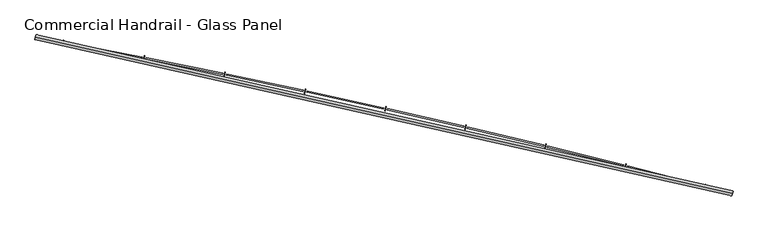
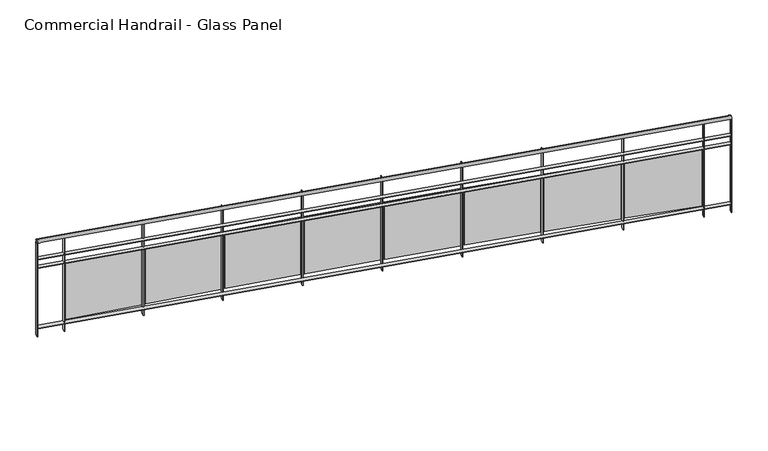
"""IFC4 building model written with IfcOpenShell, lengths in millimetres: railing geometry, Commercial Handrail - Glass Panel."""

from ifc_helpers import new_model, si_unit, point, frame, origin, place, context, project, spatial, polyline, circle_curve, ellipse_curve, trimmed, outline, extrude, source, transform, mapped, element, save
from ifc_brep_helpers import plane_surface, cylinder_surface, revolved_surface, advanced_brep


def commercial_handrail_glass_panel_3e15cc31(model_context):
    return source(origin(), model_context, "Body", "SolidModel", [
        advanced_brep(
        [(147529.5593555, -11171.1779597, 26482.5), (140754.7489821, -9648.612099, 26482.5), (140754.7489821, -9648.612099, 26517.5), (147529.5593555, -11171.1779597, 26517.5)],
        [
            (0, 1, circle_curve(frame((123990.1653691, -100078.2018552, 26482.5), z_axis=(0.0, 0.0, 1.0), x_axis=(0.18228230158229036, 0.9832462369772197, 0.0)), 91970.4407253)),
            (1, 2, ellipse_curve(frame((140754.7489821, -9648.612099, 26500.0), z_axis=(0.9832462369772187, -0.18228230158229675, 0.0), x_axis=(-0.18228230158229672, -0.9832462369772185, 0.0)), 25.0, 17.5)),
            (2, 3, circle_curve(frame((123990.1653691, -100078.2018552, 26517.5), z_axis=(0.0, 0.0, -1.0), x_axis=(0.18228230158229036, 0.9832462369772197, 0.0)), 91970.4407253)),
            (3, 0, ellipse_curve(frame((147529.5593555, -11171.1779597, 26500.0), z_axis=(-0.9666912890096803, 0.2559452124045356, 0.0), x_axis=(-0.2559452124045356, -0.9666912890096803, 0.0)), 25.0, 17.5)),
            (2, 1, ellipse_curve(frame((140754.7489821, -9648.612099, 26500.0), z_axis=(0.9832462369772187, -0.18228230158229675, 0.0), x_axis=(-0.18228230158229672, -0.9832462369772185, 0.0)), 25.0, 17.5)),
            (0, 3, ellipse_curve(frame((147529.5593555, -11171.1779597, 26500.0), z_axis=(-0.9666912890096803, 0.2559452124045356, 0.0), x_axis=(-0.2559452124045356, -0.9666912890096803, 0.0)), 25.0, 17.5)),
        ],
        [
            revolved_surface(trimmed(ellipse_curve(frame((140754.7489821, -9648.612099, 26500.0), z_axis=(-0.9832462369772197, 0.18228230158229036, 0.0), x_axis=(0.0, 0.0, -1.0)), 17.5, 25.0), [point((140754.7489821, -9648.612099, 26517.5))], [point((140754.7489821, -9648.612099, 26482.5))], True, "CARTESIAN"), (123990.1653691, -100078.2018552, 26500.0), (0.0, 0.0, -1.0)),
            revolved_surface(trimmed(ellipse_curve(frame((140754.7489821, -9648.612099, 26500.0), z_axis=(-0.9832462369772197, 0.18228230158229036, 0.0), x_axis=(0.0, 0.0, -1.0)), 17.5, 25.0), [point((140754.7489821, -9648.612099, 26482.5))], [point((140754.7489821, -9648.612099, 26517.5))], True, "CARTESIAN"), (123990.1653691, -100078.2018552, 26500.0), (0.0, 0.0, -1.0)),
            plane_surface(frame((140754.7489821, -9648.612099, 26500.0), z_axis=(-0.9832462369772198, 0.1822823015822904, 0.0), x_axis=(0.1822823015822904, 0.9832462369772198, 0.0))),
            plane_surface(frame((147529.5593555, -11171.1779597, 26500.0), z_axis=(0.9666912890096803, -0.25594521240453566, 0.0), x_axis=(0.25594521240453566, 0.9666912890096803, 0.0))),
        ],
        [
            (0, [[1, 2, 3, 4]]),
            (1, [[-3, 5, -1, 6]]),
            (2, [[-2, -5]]),
            (3, [[-6, -4]]),
        ],
    ),
        advanced_brep(
        [(147535.3181228, -11149.4274057, 26300.0), (140758.8503338, -9626.4890586, 26300.0), (140750.6476303, -9670.7351393, 26300.0), (147523.8005882, -11192.9285137, 26300.0), (147535.3181228, -11149.4274057, 26294.0), (140758.8503338, -9626.4890586, 26294.0), (147523.8005882, -11192.9285137, 26294.0), (140750.6476303, -9670.7351393, 26294.0)],
        [
            (0, 1, circle_curve(frame((123990.1653691, -100078.2018552, 26300.0), z_axis=(0.0, 0.0, 1.0), x_axis=(0.18228230158229036, 0.9832462369772197, 0.0)), 91992.9407253)),
            (1, 2),
            (2, 3, circle_curve(frame((123990.1653691, -100078.2018552, 26300.0), z_axis=(0.0, 0.0, -1.0), x_axis=(0.18228230158229036, 0.9832462369772197, 0.0)), 91947.9407253)),
            (3, 0),
            (4, 5, circle_curve(frame((123990.1653691, -100078.2018552, 26294.0), z_axis=(0.0, 0.0, 1.0), x_axis=(0.18228230158229036, 0.9832462369772197, 0.0)), 91992.9407253)),
            (5, 1),
            (0, 4),
            (6, 7, circle_curve(frame((123990.1653691, -100078.2018552, 26294.0), z_axis=(0.0, 0.0, 1.0), x_axis=(0.18228230158229036, 0.9832462369772197, 0.0)), 91947.9407253)),
            (7, 5),
            (4, 6),
            (2, 7),
            (6, 3),
        ],
        [
            plane_surface(frame((123990.1653691, -100078.2018552, 26300.0), z_axis=(0.0, 0.0, 1.0), x_axis=(0.18228230158229036, 0.9832462369772197, 0.0))),
            cylinder_surface(frame((123990.1653691, -100078.2018552, 26300.0), z_axis=(0.0, 0.0, -1.0), x_axis=(0.18228230158229036, 0.9832462369772197, 0.0)), 91992.9407253),
            plane_surface(frame((123990.1653691, -100078.2018552, 26294.0), z_axis=(0.0, 0.0, -1.0), x_axis=(0.18228230158229036, 0.9832462369772197, 0.0))),
            revolved_surface(polyline([(140750.6476302597, -9670.735139244323, 26294.0), (140750.6476302597, -9670.735139244323, 26300.0)]), (123990.1653691, -100078.2018552, 26300.0), (0.0, 0.0, -1.0)),
            plane_surface(frame((140754.7489821, -9648.612099, 26300.0), z_axis=(-0.9832462369772198, 0.1822823015822904, 0.0), x_axis=(0.1822823015822904, 0.9832462369772198, 0.0))),
            plane_surface(frame((147529.5593555, -11171.1779597, 26300.0), z_axis=(0.9666912890096803, -0.25594521240453566, 0.0), x_axis=(0.25594521240453566, 0.9666912890096803, 0.0))),
        ],
        [
            (0, [[1, 2, 3, 4]]),
            (1, [[5, 6, -1, 7]]),
            (2, [[8, 9, -5, 10]]),
            (3, [[-3, 11, -8, 12]]),
            (4, [[-2, -6, -9, -11]]),
            (5, [[-12, -10, -7, -4]]),
        ],
    ),
        advanced_brep(
        [(147535.3181228, -11149.4274057, 26200.0), (140758.8503338, -9626.4890586, 26200.0), (140750.6476303, -9670.7351393, 26200.0), (147523.8005882, -11192.9285137, 26200.0), (147535.3181228, -11149.4274057, 26194.0), (140758.8503338, -9626.4890586, 26194.0), (147523.8005882, -11192.9285137, 26194.0), (140750.6476303, -9670.7351393, 26194.0)],
        [
            (0, 1, circle_curve(frame((123990.1653691, -100078.2018552, 26200.0), z_axis=(0.0, 0.0, 1.0), x_axis=(0.18228230158229036, 0.9832462369772197, 0.0)), 91992.9407253)),
            (1, 2),
            (2, 3, circle_curve(frame((123990.1653691, -100078.2018552, 26200.0), z_axis=(0.0, 0.0, -1.0), x_axis=(0.18228230158229036, 0.9832462369772197, 0.0)), 91947.9407253)),
            (3, 0),
            (4, 5, circle_curve(frame((123990.1653691, -100078.2018552, 26194.0), z_axis=(0.0, 0.0, 1.0), x_axis=(0.18228230158229036, 0.9832462369772197, 0.0)), 91992.9407253)),
            (5, 1),
            (0, 4),
            (6, 7, circle_curve(frame((123990.1653691, -100078.2018552, 26194.0), z_axis=(0.0, 0.0, 1.0), x_axis=(0.18228230158229036, 0.9832462369772197, 0.0)), 91947.9407253)),
            (7, 5),
            (4, 6),
            (2, 7),
            (6, 3),
        ],
        [
            plane_surface(frame((123990.1653691, -100078.2018552, 26200.0), z_axis=(0.0, 0.0, 1.0), x_axis=(0.18228230158229036, 0.9832462369772197, 0.0))),
            cylinder_surface(frame((123990.1653691, -100078.2018552, 26200.0), z_axis=(0.0, 0.0, -1.0), x_axis=(0.18228230158229036, 0.9832462369772197, 0.0)), 91992.9407253),
            plane_surface(frame((123990.1653691, -100078.2018552, 26194.0), z_axis=(0.0, 0.0, -1.0), x_axis=(0.18228230158229036, 0.9832462369772197, 0.0))),
            revolved_surface(polyline([(140750.6476302597, -9670.735139244323, 26194.0), (140750.6476302597, -9670.735139244323, 26200.0)]), (123990.1653691, -100078.2018552, 26200.0), (0.0, 0.0, -1.0)),
            plane_surface(frame((140754.7489821, -9648.612099, 26200.0), z_axis=(-0.9832462369772198, 0.1822823015822904, 0.0), x_axis=(0.1822823015822904, 0.9832462369772198, 0.0))),
            plane_surface(frame((147529.5593555, -11171.1779597, 26200.0), z_axis=(0.9666912890096803, -0.25594521240453566, 0.0), x_axis=(0.25594521240453566, 0.9666912890096803, 0.0))),
        ],
        [
            (0, [[1, 2, 3, 4]]),
            (1, [[5, 6, -1, 7]]),
            (2, [[8, 9, -5, 10]]),
            (3, [[-3, 11, -8, 12]]),
            (4, [[-2, -6, -9, -11]]),
            (5, [[-12, -10, -7, -4]]),
        ],
    ),
        advanced_brep(
        [(147535.3181228, -11149.4274057, 25500.0), (140758.8503338, -9626.4890586, 25500.0), (140750.6476303, -9670.7351393, 25500.0), (147523.8005882, -11192.9285137, 25500.0), (147535.3181228, -11149.4274057, 25494.0), (140758.8503338, -9626.4890586, 25494.0), (147523.8005882, -11192.9285137, 25494.0), (140750.6476303, -9670.7351393, 25494.0)],
        [
            (0, 1, circle_curve(frame((123990.1653691, -100078.2018552, 25500.0), z_axis=(0.0, 0.0, 1.0), x_axis=(0.18228230158229036, 0.9832462369772197, 0.0)), 91992.9407253)),
            (1, 2),
            (2, 3, circle_curve(frame((123990.1653691, -100078.2018552, 25500.0), z_axis=(0.0, 0.0, -1.0), x_axis=(0.18228230158229036, 0.9832462369772197, 0.0)), 91947.9407253)),
            (3, 0),
            (4, 5, circle_curve(frame((123990.1653691, -100078.2018552, 25494.0), z_axis=(0.0, 0.0, 1.0), x_axis=(0.18228230158229036, 0.9832462369772197, 0.0)), 91992.9407253)),
            (5, 1),
            (0, 4),
            (6, 7, circle_curve(frame((123990.1653691, -100078.2018552, 25494.0), z_axis=(0.0, 0.0, 1.0), x_axis=(0.18228230158229036, 0.9832462369772197, 0.0)), 91947.9407253)),
            (7, 5),
            (4, 6),
            (2, 7),
            (6, 3),
        ],
        [
            plane_surface(frame((123990.1653691, -100078.2018552, 25500.0), z_axis=(0.0, 0.0, 1.0), x_axis=(0.18228230158229036, 0.9832462369772197, 0.0))),
            cylinder_surface(frame((123990.1653691, -100078.2018552, 25500.0), z_axis=(0.0, 0.0, -1.0), x_axis=(0.18228230158229036, 0.9832462369772197, 0.0)), 91992.9407253),
            plane_surface(frame((123990.1653691, -100078.2018552, 25494.0), z_axis=(0.0, 0.0, -1.0), x_axis=(0.18228230158229036, 0.9832462369772197, 0.0))),
            revolved_surface(polyline([(140750.6476302597, -9670.735139244323, 25494.0), (140750.6476302597, -9670.735139244323, 25500.0)]), (123990.1653691, -100078.2018552, 25500.0), (0.0, 0.0, -1.0)),
            plane_surface(frame((140754.7489821, -9648.612099, 25500.0), z_axis=(-0.9832462369772198, 0.1822823015822904, 0.0), x_axis=(0.1822823015822904, 0.9832462369772198, 0.0))),
            plane_surface(frame((147529.5593555, -11171.1779597, 25500.0), z_axis=(0.9666912890096803, -0.25594521240453566, 0.0), x_axis=(0.25594521240453566, 0.9666912890096803, 0.0))),
        ],
        [
            (0, [[1, 2, 3, 4]]),
            (1, [[5, 6, -1, 7]]),
            (2, [[8, 9, -5, 10]]),
            (3, [[-3, 11, -8, 12]]),
            (4, [[-2, -6, -9, -11]]),
            (5, [[-12, -10, -7, -4]]),
        ],
    ),
        extrude(outline(polyline([(147257.221986, -11122.7754383), (147268.6104754, -11079.2403685), (147274.4151514, -11080.7588337), (147263.0266619, -11124.2939036), (147257.221986, -11122.7754383)])), frame((0.0, 0.0, 25400.0), z_axis=(0.0, 0.0, 1.0), x_axis=(1.0, 0.0, 0.0)), (0.0, 0.0, 1.0), 1082.1192282),
        extrude(outline(polyline([(146512.0701942, -10900.9970799), (147248.1587203, -11090.1363983), (147245.17231, -11101.7588487), (146509.0837839, -10912.6195303), (146512.0701942, -10900.9970799)])), frame((0.0, 0.0, 25520.0), z_axis=(0.0, 0.0, 1.0), x_axis=(1.0, 0.0, 0.0)), (0.0, 0.0, 1.0), 660.0),
        extrude(outline(polyline([(146482.5774638, -10923.7560279), (146493.5868397, -10880.1235441), (146499.4045042, -10881.5914608), (146488.3951283, -10925.2239446), (146482.5774638, -10923.7560279)])), frame((0.0, 0.0, 25400.0), z_axis=(0.0, 0.0, 1.0), x_axis=(1.0, 0.0, 0.0)), (0.0, 0.0, 1.0), 1082.1192282),
        extrude(outline(polyline([(145735.524759, -10708.4676411), (146473.2306356, -10891.1970579), (146470.3454342, -10902.8450454), (145732.6395577, -10720.1156287), (145735.524759, -10708.4676411)])), frame((0.0, 0.0, 25520.0), z_axis=(0.0, 0.0, 1.0), x_axis=(1.0, 0.0, 0.0)), (0.0, 0.0, 1.0), 660.0),
        extrude(outline(polyline([(145706.2311094, -10731.4822658), (145716.8605387, -10687.7556694), (145722.6907516, -10689.1729267), (145712.0613222, -10732.8995231), (145706.2311094, -10731.4822658)])), frame((0.0, 0.0, 25400.0), z_axis=(0.0, 0.0, 1.0), x_axis=(1.0, 0.0, 0.0)), (0.0, 0.0, 1.0), 1082.1192282),
        extrude(outline(polyline([(144957.3340156, -10522.7001401), (145696.6014259, -10699.0058295), (145693.8176518, -10710.6784728), (144954.5502416, -10534.3727835), (144957.3340156, -10522.7001401)])), frame((0.0, 0.0, 25520.0), z_axis=(0.0, 0.0, 1.0), x_axis=(1.0, 0.0, 0.0)), (0.0, 0.0, 1.0), 660.0),
        extrude(outline(polyline([(144928.2416631, -10545.9687002), (144938.4903417, -10502.1512997), (144944.3326617, -10503.5177901), (144934.0839832, -10547.3351907), (144928.2416631, -10545.9687002)])), frame((0.0, 0.0, 25400.0), z_axis=(0.0, 0.0, 1.0), x_axis=(1.0, 0.0, 0.0)), (0.0, 0.0, 1.0), 1082.1192282),
        extrude(outline(polyline([(144177.5568437, -10343.7086325), (144918.3298529, -10513.5772547), (144915.6477168, -10525.2736707), (144174.8747076, -10355.4050484), (144177.5568437, -10343.7086325)])), frame((0.0, 0.0, 25520.0), z_axis=(0.0, 0.0, 1.0), x_axis=(1.0, 0.0, 0.0)), (0.0, 0.0, 1.0), 660.0),
        extrude(outline(polyline([(144148.6679896, -10367.2293674), (144158.5351419, -10323.324478), (144164.3891271, -10324.6400983), (144154.5219749, -10368.5449877), (144148.6679896, -10367.2293674)])), frame((0.0, 0.0, 25400.0), z_axis=(0.0, 0.0, 1.0), x_axis=(1.0, 0.0, 0.0)), (0.0, 0.0, 1.0), 1082.1192282),
        extrude(outline(polyline([(143396.2522433, -10171.5066611), (144138.4748027, -10334.9253636), (144135.8945074, -10346.6446671), (143393.671948, -10183.2259647), (143396.2522433, -10171.5066611)])), frame((0.0, 0.0, 25520.0), z_axis=(0.0, 0.0, 1.0), x_axis=(1.0, 0.0, 0.0)), (0.0, 0.0, 1.0), 660.0),
        extrude(outline(polyline([(143367.5690734, -10195.2777912), (143377.0539528, -10151.288735), (143382.9191603, -10152.5533856), (143373.4342809, -10196.5424418), (143367.5690734, -10195.2777912)])), frame((0.0, 0.0, 25400.0), z_axis=(0.0, 0.0, 1.0), x_axis=(1.0, 0.0, 0.0)), (0.0, 0.0, 1.0), 1082.1192282),
        extrude(outline(polyline([(142613.4793297, -10006.1072553), (143357.0952809, -10163.0636733), (143354.6170217, -10174.8049778), (142611.0010705, -10017.8485598), (142613.4793297, -10006.1072553)])), frame((0.0, 0.0, 25520.0), z_axis=(0.0, 0.0, 1.0), x_axis=(1.0, 0.0, 0.0)), (0.0, 0.0, 1.0), 660.0),
        extrude(outline(polyline([(142585.0040143, -10030.126982), (142594.1059033, -9986.0570873), (142599.9818892, -9987.2706725), (142590.8800002, -10031.3405672), (142585.0040143, -10030.126982)])), frame((0.0, 0.0, 25400.0), z_axis=(0.0, 0.0, 1.0), x_axis=(1.0, 0.0, 0.0)), (0.0, 0.0, 1.0), 1082.1192282),
        extrude(outline(polyline([(141829.2973297, -9847.5229296), (142574.2504088, -9998.0051873), (142571.8743732, -10009.7676044), (141826.921294, -9859.2853466), (141829.2973297, -9847.5229296)])), frame((0.0, 0.0, 25520.0), z_axis=(0.0, 0.0, 1.0), x_axis=(1.0, 0.0, 0.0)), (0.0, 0.0, 1.0), 660.0),
        extrude(outline(polyline([(141801.0320231, -9871.7894354), (141809.750233, -9827.6420367), (141815.6365528, -9828.8044646), (141806.918343, -9872.9518634), (141801.0320231, -9871.7894354)])), frame((0.0, 0.0, 25400.0), z_axis=(0.0, 0.0, 1.0), x_axis=(1.0, 0.0, 0.0)), (0.0, 0.0, 1.0), 1082.1192282),
        extrude(outline(polyline([(141043.7655762, -9695.7656828), (141789.9994183, -9839.7623945), (141787.725786, -9851.5450341), (141041.491944, -9707.5483224), (141043.7655762, -9695.7656828)])), frame((0.0, 0.0, 25520.0), z_axis=(0.0, 0.0, 1.0), x_axis=(1.0, 0.0, 0.0)), (0.0, 0.0, 1.0), 660.0),
        extrude(outline(polyline([(141015.7124173, -9720.2771318), (141024.0462883, -9676.0555692), (141029.9424967, -9677.166752), (141021.6086256, -9721.3883146), (141015.7124173, -9720.2771318)])), frame((0.0, 0.0, 25400.0), z_axis=(0.0, 0.0, 1.0), x_axis=(1.0, 0.0, 0.0)), (0.0, 0.0, 1.0), 1082.1192282),
        extrude(outline(polyline([(147520.9005143, -11192.1606781), (147532.4180489, -11148.6595701), (147538.2181966, -11150.1952413), (147526.7006621, -11193.6963494), (147520.9005143, -11192.1606781)])), frame((0.0, 0.0, 25400.0), z_axis=(0.0, 0.0, 1.0), x_axis=(1.0, 0.0, 0.0)), (0.0, 0.0, 1.0), 1082.1192282),
        extrude(outline(polyline([(140747.6978916, -9670.1882924), (140755.9005951, -9625.9422117), (140761.8000726, -9627.0359055), (140753.597369, -9671.2819862), (140747.6978916, -9670.1882924)])), frame((0.0, 0.0, 25400.0), z_axis=(0.0, 0.0, 1.0), x_axis=(1.0, 0.0, 0.0)), (0.0, 0.0, 1.0), 1082.1192282),
    ])


if __name__ == "__main__":
    model = new_model("IFC4")
    model_context = context("Model", 3, world=origin())
    ifc_project = project(units=[si_unit("LENGTHUNIT", "METRE", prefix="MILLI")], contexts=[model_context])
    site = spatial("IfcSite", under=ifc_project)
    building = spatial("IfcBuilding", under=site)
    placement = place(None, origin())
    commercial_handrail_glass_panel_shape = commercial_handrail_glass_panel_3e15cc31(model_context)
    element("IfcRailing", 1, ObjectType="Commercial Handrail - Glass Panel", at=placement, inside=building, context=model_context, shape_type="MappedRepresentation", body=[
        mapped(commercial_handrail_glass_panel_shape, transform((0.0, 0.0, 0.0), x_axis=(1.0, 0.0, 0.0), y_axis=(0.0, 1.0, 0.0), z_axis=(0.0, 0.0, 1.0))),
    ])
    save(model, "model.ifc")
